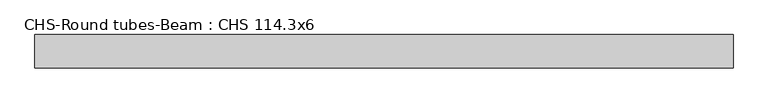
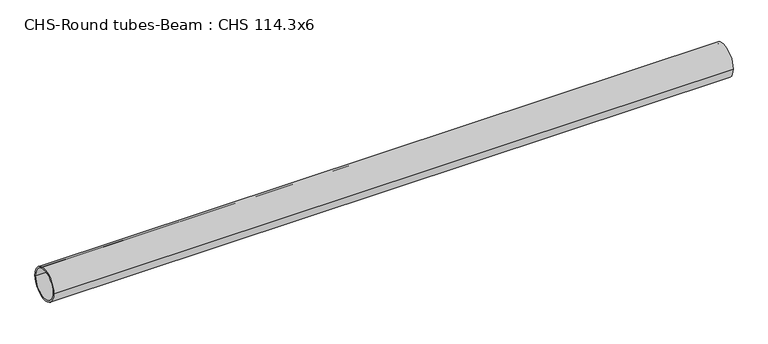
"""IFC4 building model written with IfcOpenShell, lengths in millimetres: beam geometry, CHS-Round tubes-Beam : CHS 114.3x6."""

from ifc_helpers import new_model, si_unit, point, frame, origin, origin_2d, place, context, project, spatial, circle_curve, trimmed, segment, composite_curve, outline, extrude, source, transform, mapped, element, save


def chs_round_tubes_beam_chs_114_3x6_908074ce(model_context):
    return source(origin(), model_context, "Body", "SweptSolid", [
        extrude(outline(composite_curve([segment(trimmed(circle_curve(origin_2d(), 57.15), [point((57.15, 0.0))], [point((-57.15, 0.0))], False, "CARTESIAN"), True, "CONTINUOUS"), segment(trimmed(circle_curve(origin_2d(), 57.15), [point((-57.15, 0.0))], [point((57.15, 0.0))], False, "CARTESIAN"), True, "CONTINUOUS")], self_intersect=False), holes=[composite_curve([segment(trimmed(circle_curve(origin_2d(), 51.15), [point((51.15, 0.0))], [point((-51.15, 0.0))], True, "CARTESIAN"), True, "CONTINUOUS"), segment(trimmed(circle_curve(origin_2d(), 51.15), [point((-51.15, 0.0))], [point((51.15, 0.0))], True, "CARTESIAN"), True, "CONTINUOUS")], self_intersect=False)]), frame((-1158.7137132, 0.0, 0.0), z_axis=(1.0, 0.0, 0.0), x_axis=(0.0, 1.0, 0.0)), (0.0, 0.0, 1.0), 2376.377278),
    ])


if __name__ == "__main__":
    model = new_model("IFC4")
    model_context = context("Model", 3, world=origin())
    ifc_project = project(units=[si_unit("LENGTHUNIT", "METRE", prefix="MILLI")], contexts=[model_context])
    site = spatial("IfcSite", under=ifc_project)
    building = spatial("IfcBuilding", under=site)
    placement = place(None, origin())
    chs_round_tubes_beam_chs_114_3x6_shape = chs_round_tubes_beam_chs_114_3x6_908074ce(model_context)
    element("IfcBeam", 1, ObjectType="CHS-Round tubes-Beam : CHS 114.3x6", at=placement, inside=building, context=model_context, shape_type="MappedRepresentation", body=[
        mapped(chs_round_tubes_beam_chs_114_3x6_shape, transform((0.0, 0.0, 0.0), x_axis=(1.0, 0.0, 0.0), y_axis=(0.0, 1.0, 0.0), z_axis=(0.0, 0.0, 1.0))),
    ])
    save(model, "model.ifc")
